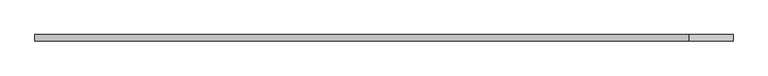
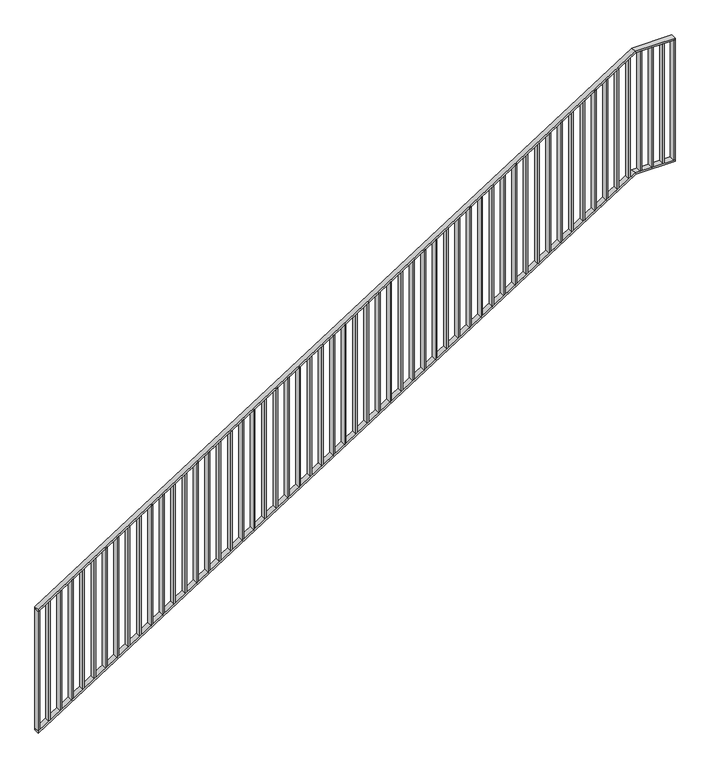
"""IFC4 building model written with IfcOpenShell, lengths in millimetres: railing geometry."""

from ifc_helpers import new_model, si_unit, frame, origin, place, context, project, spatial, polyline, outline, extrude, faceted_brep, source, transform, mapped, element, save


def railing_6810e6bf(model_context):
    return source(origin(), model_context, "Body", "SolidModel", [
        faceted_brep([(70020.0, 1014.6, 1178.125), (70020.0, 1014.6, 1166.2576574), (70020.0, 974.6, 1166.2576574), (70020.0, 974.6, 1178.125), (74201.25, 1014.6, 3850.0), (74204.1722273, 1014.6, 3840.0), (74204.1722273, 974.6, 3840.0), (74201.25, 974.6, 3850.0), (74480.0, 1014.6, 3850.0), (74480.0, 974.6, 3850.0), (74480.0, 974.6, 3840.0), (74480.0, 1014.6, 3840.0)], [[[0, 1, 2, 3]], [[1, 0, 4, 5]], [[2, 1, 5, 6]], [[3, 2, 6, 7]], [[0, 3, 7, 4]], [[8, 9, 10, 11]], [[5, 4, 8, 11]], [[6, 5, 11, 10]], [[7, 6, 10, 9]], [[4, 7, 9, 8]]]),
        faceted_brep([(70020.0, 1014.6, 278.125), (70020.0, 1014.6, 266.2576574), (70020.0, 974.6, 266.2576574), (70020.0, 974.6, 278.125), (74201.25, 1014.6, 2950.0), (74204.1722273, 1014.6, 2940.0), (74204.1722273, 974.6, 2940.0), (74201.25, 974.6, 2950.0), (74480.0, 1014.6, 2950.0), (74480.0, 974.6, 2950.0), (74480.0, 974.6, 2940.0), (74480.0, 1014.6, 2940.0)], [[[0, 1, 2, 3]], [[1, 0, 4, 5]], [[2, 1, 5, 6]], [[3, 2, 6, 7]], [[0, 3, 7, 4]], [[8, 9, 10, 11]], [[5, 4, 8, 11]], [[6, 5, 11, 10]], [[7, 6, 10, 9]], [[4, 7, 9, 8]]]),
        extrude(outline(polyline([(74395.3571429, 1014.6), (74405.3571429, 1014.6), (74405.3571429, 974.6), (74395.3571429, 974.6), (74395.3571429, 1014.6)])), frame((0.0, 0.0, 2950.0), z_axis=(0.0, 0.0, 1.0), x_axis=(1.0, 0.0, 0.0)), (0.0, 0.0, 1.0), 890.0),
        extrude(outline(polyline([(74315.7142857, 1014.6), (74325.7142857, 1014.6), (74325.7142857, 974.6), (74315.7142857, 974.6), (74315.7142857, 1014.6)])), frame((0.0, 0.0, 2950.0), z_axis=(0.0, 0.0, 1.0), x_axis=(1.0, 0.0, 0.0)), (0.0, 0.0, 1.0), 890.0),
        extrude(outline(polyline([(74236.0714286, 1014.6), (74246.0714286, 1014.6), (74246.0714286, 974.6), (74236.0714286, 974.6), (74236.0714286, 1014.6)])), frame((0.0, 0.0, 2950.0), z_axis=(0.0, 0.0, 1.0), x_axis=(1.0, 0.0, 0.0)), (0.0, 0.0, 1.0), 890.0),
        extrude(outline(polyline([(2921.3585042, 74156.4285714), (2927.7486387, 74166.4285714), (3817.7486387, 74166.4285714), (3811.3585042, 74156.4285714), (2921.3585042, 74156.4285714)])), frame((0.0, 974.6, 0.0), z_axis=(0.0, 1.0, 0.0), x_axis=(0.0, 0.0, 1.0)), (0.0, 0.0, 1.0), 40.0),
        extrude(outline(polyline([(2870.465647, 74076.7857143), (2876.8557816, 74086.7857143), (3766.8557816, 74086.7857143), (3760.465647, 74076.7857143), (2870.465647, 74076.7857143)])), frame((0.0, 974.6, 0.0), z_axis=(0.0, 1.0, 0.0), x_axis=(0.0, 0.0, 1.0)), (0.0, 0.0, 1.0), 40.0),
        extrude(outline(polyline([(2819.5727899, 73997.1428571), (2825.9629244, 74007.1428571), (3715.9629244, 74007.1428571), (3709.5727899, 73997.1428571), (2819.5727899, 73997.1428571)])), frame((0.0, 974.6, 0.0), z_axis=(0.0, 1.0, 0.0), x_axis=(0.0, 0.0, 1.0)), (0.0, 0.0, 1.0), 40.0),
        extrude(outline(polyline([(2768.6799327, 73917.5), (2775.0700673, 73927.5), (3665.0700673, 73927.5), (3658.6799327, 73917.5), (2768.6799327, 73917.5)])), frame((0.0, 974.6, 0.0), z_axis=(0.0, 1.0, 0.0), x_axis=(0.0, 0.0, 1.0)), (0.0, 0.0, 1.0), 40.0),
        extrude(outline(polyline([(2717.7870756, 73837.8571429), (2724.1772101, 73847.8571429), (3614.1772101, 73847.8571429), (3607.7870756, 73837.8571429), (2717.7870756, 73837.8571429)])), frame((0.0, 974.6, 0.0), z_axis=(0.0, 1.0, 0.0), x_axis=(0.0, 0.0, 1.0)), (0.0, 0.0, 1.0), 40.0),
        extrude(outline(polyline([(2666.8942184, 73758.2142857), (2673.284353, 73768.2142857), (3563.284353, 73768.2142857), (3556.8942184, 73758.2142857), (2666.8942184, 73758.2142857)])), frame((0.0, 974.6, 0.0), z_axis=(0.0, 1.0, 0.0), x_axis=(0.0, 0.0, 1.0)), (0.0, 0.0, 1.0), 40.0),
        extrude(outline(polyline([(2616.0013613, 73678.5714286), (2622.3914958, 73688.5714286), (3512.3914958, 73688.5714286), (3506.0013613, 73678.5714286), (2616.0013613, 73678.5714286)])), frame((0.0, 974.6, 0.0), z_axis=(0.0, 1.0, 0.0), x_axis=(0.0, 0.0, 1.0)), (0.0, 0.0, 1.0), 40.0),
        extrude(outline(polyline([(2565.1085042, 73598.9285714), (2571.4986387, 73608.9285714), (3461.4986387, 73608.9285714), (3455.1085042, 73598.9285714), (2565.1085042, 73598.9285714)])), frame((0.0, 974.6, 0.0), z_axis=(0.0, 1.0, 0.0), x_axis=(0.0, 0.0, 1.0)), (0.0, 0.0, 1.0), 40.0),
        extrude(outline(polyline([(2514.215647, 73519.2857143), (2520.6057816, 73529.2857143), (3410.6057816, 73529.2857143), (3404.215647, 73519.2857143), (2514.215647, 73519.2857143)])), frame((0.0, 974.6, 0.0), z_axis=(0.0, 1.0, 0.0), x_axis=(0.0, 0.0, 1.0)), (0.0, 0.0, 1.0), 40.0),
        extrude(outline(polyline([(2463.3227899, 73439.6428571), (2469.7129244, 73449.6428571), (3359.7129244, 73449.6428571), (3353.3227899, 73439.6428571), (2463.3227899, 73439.6428571)])), frame((0.0, 974.6, 0.0), z_axis=(0.0, 1.0, 0.0), x_axis=(0.0, 0.0, 1.0)), (0.0, 0.0, 1.0), 40.0),
        extrude(outline(polyline([(2412.4299327, 73360.0), (2418.8200673, 73370.0), (3308.8200673, 73370.0), (3302.4299327, 73360.0), (2412.4299327, 73360.0)])), frame((0.0, 974.6, 0.0), z_axis=(0.0, 1.0, 0.0), x_axis=(0.0, 0.0, 1.0)), (0.0, 0.0, 1.0), 40.0),
        extrude(outline(polyline([(2361.5370756, 73280.3571429), (2367.9272101, 73290.3571429), (3257.9272101, 73290.3571429), (3251.5370756, 73280.3571429), (2361.5370756, 73280.3571429)])), frame((0.0, 974.6, 0.0), z_axis=(0.0, 1.0, 0.0), x_axis=(0.0, 0.0, 1.0)), (0.0, 0.0, 1.0), 40.0),
        extrude(outline(polyline([(2310.6442184, 73200.7142857), (2317.034353, 73210.7142857), (3207.034353, 73210.7142857), (3200.6442184, 73200.7142857), (2310.6442184, 73200.7142857)])), frame((0.0, 974.6, 0.0), z_axis=(0.0, 1.0, 0.0), x_axis=(0.0, 0.0, 1.0)), (0.0, 0.0, 1.0), 40.0),
        extrude(outline(polyline([(2259.7513613, 73121.0714286), (2266.1414958, 73131.0714286), (3156.1414958, 73131.0714286), (3149.7513613, 73121.0714286), (2259.7513613, 73121.0714286)])), frame((0.0, 974.6, 0.0), z_axis=(0.0, 1.0, 0.0), x_axis=(0.0, 0.0, 1.0)), (0.0, 0.0, 1.0), 40.0),
        extrude(outline(polyline([(2208.8585042, 73041.4285714), (2215.2486387, 73051.4285714), (3105.2486387, 73051.4285714), (3098.8585042, 73041.4285714), (2208.8585042, 73041.4285714)])), frame((0.0, 974.6, 0.0), z_axis=(0.0, 1.0, 0.0), x_axis=(0.0, 0.0, 1.0)), (0.0, 0.0, 1.0), 40.0),
        extrude(outline(polyline([(2157.965647, 72961.7857143), (2164.3557816, 72971.7857143), (3054.3557816, 72971.7857143), (3047.965647, 72961.7857143), (2157.965647, 72961.7857143)])), frame((0.0, 974.6, 0.0), z_axis=(0.0, 1.0, 0.0), x_axis=(0.0, 0.0, 1.0)), (0.0, 0.0, 1.0), 40.0),
        extrude(outline(polyline([(2107.0727899, 72882.1428571), (2113.4629244, 72892.1428571), (3003.4629244, 72892.1428571), (2997.0727899, 72882.1428571), (2107.0727899, 72882.1428571)])), frame((0.0, 974.6, 0.0), z_axis=(0.0, 1.0, 0.0), x_axis=(0.0, 0.0, 1.0)), (0.0, 0.0, 1.0), 40.0),
        extrude(outline(polyline([(2056.1799327, 72802.5), (2062.5700673, 72812.5), (2952.5700673, 72812.5), (2946.1799327, 72802.5), (2056.1799327, 72802.5)])), frame((0.0, 974.6, 0.0), z_axis=(0.0, 1.0, 0.0), x_axis=(0.0, 0.0, 1.0)), (0.0, 0.0, 1.0), 40.0),
        extrude(outline(polyline([(2005.2870756, 72722.8571429), (2011.6772101, 72732.8571429), (2901.6772101, 72732.8571429), (2895.2870756, 72722.8571429), (2005.2870756, 72722.8571429)])), frame((0.0, 974.6, 0.0), z_axis=(0.0, 1.0, 0.0), x_axis=(0.0, 0.0, 1.0)), (0.0, 0.0, 1.0), 40.0),
        extrude(outline(polyline([(1954.3942184, 72643.2142857), (1960.784353, 72653.2142857), (2850.784353, 72653.2142857), (2844.3942184, 72643.2142857), (1954.3942184, 72643.2142857)])), frame((0.0, 974.6, 0.0), z_axis=(0.0, 1.0, 0.0), x_axis=(0.0, 0.0, 1.0)), (0.0, 0.0, 1.0), 40.0),
        extrude(outline(polyline([(1903.5013613, 72563.5714286), (1909.8914958, 72573.5714286), (2799.8914958, 72573.5714286), (2793.5013613, 72563.5714286), (1903.5013613, 72563.5714286)])), frame((0.0, 974.6, 0.0), z_axis=(0.0, 1.0, 0.0), x_axis=(0.0, 0.0, 1.0)), (0.0, 0.0, 1.0), 40.0),
        extrude(outline(polyline([(1852.6085042, 72483.9285714), (1858.9986387, 72493.9285714), (2748.9986387, 72493.9285714), (2742.6085042, 72483.9285714), (1852.6085042, 72483.9285714)])), frame((0.0, 974.6, 0.0), z_axis=(0.0, 1.0, 0.0), x_axis=(0.0, 0.0, 1.0)), (0.0, 0.0, 1.0), 40.0),
        extrude(outline(polyline([(1801.715647, 72404.2857143), (1808.1057816, 72414.2857143), (2698.1057816, 72414.2857143), (2691.715647, 72404.2857143), (1801.715647, 72404.2857143)])), frame((0.0, 974.6, 0.0), z_axis=(0.0, 1.0, 0.0), x_axis=(0.0, 0.0, 1.0)), (0.0, 0.0, 1.0), 40.0),
        extrude(outline(polyline([(1750.8227899, 72324.6428571), (1757.2129244, 72334.6428571), (2647.2129244, 72334.6428571), (2640.8227899, 72324.6428571), (1750.8227899, 72324.6428571)])), frame((0.0, 974.6, 0.0), z_axis=(0.0, 1.0, 0.0), x_axis=(0.0, 0.0, 1.0)), (0.0, 0.0, 1.0), 40.0),
        extrude(outline(polyline([(1699.9299327, 72245.0), (1706.3200673, 72255.0), (2596.3200673, 72255.0), (2589.9299327, 72245.0), (1699.9299327, 72245.0)])), frame((0.0, 974.6, 0.0), z_axis=(0.0, 1.0, 0.0), x_axis=(0.0, 0.0, 1.0)), (0.0, 0.0, 1.0), 40.0),
        extrude(outline(polyline([(1649.0370756, 72165.3571429), (1655.4272101, 72175.3571429), (2545.4272101, 72175.3571429), (2539.0370756, 72165.3571429), (1649.0370756, 72165.3571429)])), frame((0.0, 974.6, 0.0), z_axis=(0.0, 1.0, 0.0), x_axis=(0.0, 0.0, 1.0)), (0.0, 0.0, 1.0), 40.0),
        extrude(outline(polyline([(1598.1442184, 72085.7142857), (1604.534353, 72095.7142857), (2494.534353, 72095.7142857), (2488.1442184, 72085.7142857), (1598.1442184, 72085.7142857)])), frame((0.0, 974.6, 0.0), z_axis=(0.0, 1.0, 0.0), x_axis=(0.0, 0.0, 1.0)), (0.0, 0.0, 1.0), 40.0),
        extrude(outline(polyline([(1547.2513613, 72006.0714286), (1553.6414958, 72016.0714286), (2443.6414958, 72016.0714286), (2437.2513613, 72006.0714286), (1547.2513613, 72006.0714286)])), frame((0.0, 974.6, 0.0), z_axis=(0.0, 1.0, 0.0), x_axis=(0.0, 0.0, 1.0)), (0.0, 0.0, 1.0), 40.0),
        extrude(outline(polyline([(1496.3585042, 71926.4285714), (1502.7486387, 71936.4285714), (2392.7486387, 71936.4285714), (2386.3585042, 71926.4285714), (1496.3585042, 71926.4285714)])), frame((0.0, 974.6, 0.0), z_axis=(0.0, 1.0, 0.0), x_axis=(0.0, 0.0, 1.0)), (0.0, 0.0, 1.0), 40.0),
        extrude(outline(polyline([(1445.465647, 71846.7857143), (1451.8557816, 71856.7857143), (2341.8557816, 71856.7857143), (2335.465647, 71846.7857143), (1445.465647, 71846.7857143)])), frame((0.0, 974.6, 0.0), z_axis=(0.0, 1.0, 0.0), x_axis=(0.0, 0.0, 1.0)), (0.0, 0.0, 1.0), 40.0),
        extrude(outline(polyline([(1394.5727899, 71767.1428571), (1400.9629244, 71777.1428571), (2290.9629244, 71777.1428571), (2284.5727899, 71767.1428571), (1394.5727899, 71767.1428571)])), frame((0.0, 974.6, 0.0), z_axis=(0.0, 1.0, 0.0), x_axis=(0.0, 0.0, 1.0)), (0.0, 0.0, 1.0), 40.0),
        extrude(outline(polyline([(1343.6799327, 71687.5), (1350.0700673, 71697.5), (2240.0700673, 71697.5), (2233.6799327, 71687.5), (1343.6799327, 71687.5)])), frame((0.0, 974.6, 0.0), z_axis=(0.0, 1.0, 0.0), x_axis=(0.0, 0.0, 1.0)), (0.0, 0.0, 1.0), 40.0),
        extrude(outline(polyline([(1292.7870756, 71607.8571429), (1299.1772101, 71617.8571429), (2189.1772101, 71617.8571429), (2182.7870756, 71607.8571429), (1292.7870756, 71607.8571429)])), frame((0.0, 974.6, 0.0), z_axis=(0.0, 1.0, 0.0), x_axis=(0.0, 0.0, 1.0)), (0.0, 0.0, 1.0), 40.0),
        extrude(outline(polyline([(1241.8942184, 71528.2142857), (1248.284353, 71538.2142857), (2138.284353, 71538.2142857), (2131.8942184, 71528.2142857), (1241.8942184, 71528.2142857)])), frame((0.0, 974.6, 0.0), z_axis=(0.0, 1.0, 0.0), x_axis=(0.0, 0.0, 1.0)), (0.0, 0.0, 1.0), 40.0),
        extrude(outline(polyline([(1191.0013613, 71448.5714286), (1197.3914958, 71458.5714286), (2087.3914958, 71458.5714286), (2081.0013613, 71448.5714286), (1191.0013613, 71448.5714286)])), frame((0.0, 974.6, 0.0), z_axis=(0.0, 1.0, 0.0), x_axis=(0.0, 0.0, 1.0)), (0.0, 0.0, 1.0), 40.0),
        extrude(outline(polyline([(1140.1085042, 71368.9285714), (1146.4986387, 71378.9285714), (2036.4986387, 71378.9285714), (2030.1085042, 71368.9285714), (1140.1085042, 71368.9285714)])), frame((0.0, 974.6, 0.0), z_axis=(0.0, 1.0, 0.0), x_axis=(0.0, 0.0, 1.0)), (0.0, 0.0, 1.0), 40.0),
        extrude(outline(polyline([(1089.215647, 71289.2857143), (1095.6057816, 71299.2857143), (1985.6057816, 71299.2857143), (1979.215647, 71289.2857143), (1089.215647, 71289.2857143)])), frame((0.0, 974.6, 0.0), z_axis=(0.0, 1.0, 0.0), x_axis=(0.0, 0.0, 1.0)), (0.0, 0.0, 1.0), 40.0),
        extrude(outline(polyline([(1038.3227899, 71209.6428571), (1044.7129244, 71219.6428571), (1934.7129244, 71219.6428571), (1928.3227899, 71209.6428571), (1038.3227899, 71209.6428571)])), frame((0.0, 974.6, 0.0), z_axis=(0.0, 1.0, 0.0), x_axis=(0.0, 0.0, 1.0)), (0.0, 0.0, 1.0), 40.0),
        extrude(outline(polyline([(987.4299327, 71130.0), (993.8200673, 71140.0), (1883.8200673, 71140.0), (1877.4299327, 71130.0), (987.4299327, 71130.0)])), frame((0.0, 974.6, 0.0), z_axis=(0.0, 1.0, 0.0), x_axis=(0.0, 0.0, 1.0)), (0.0, 0.0, 1.0), 40.0),
        extrude(outline(polyline([(936.5370756, 71050.3571429), (942.9272101, 71060.3571429), (1832.9272101, 71060.3571429), (1826.5370756, 71050.3571429), (936.5370756, 71050.3571429)])), frame((0.0, 974.6, 0.0), z_axis=(0.0, 1.0, 0.0), x_axis=(0.0, 0.0, 1.0)), (0.0, 0.0, 1.0), 40.0),
        extrude(outline(polyline([(885.6442184, 70970.7142857), (892.034353, 70980.7142857), (1782.034353, 70980.7142857), (1775.6442184, 70970.7142857), (885.6442184, 70970.7142857)])), frame((0.0, 974.6, 0.0), z_axis=(0.0, 1.0, 0.0), x_axis=(0.0, 0.0, 1.0)), (0.0, 0.0, 1.0), 40.0),
        extrude(outline(polyline([(834.7513613, 70891.0714286), (841.1414958, 70901.0714286), (1731.1414958, 70901.0714286), (1724.7513613, 70891.0714286), (834.7513613, 70891.0714286)])), frame((0.0, 974.6, 0.0), z_axis=(0.0, 1.0, 0.0), x_axis=(0.0, 0.0, 1.0)), (0.0, 0.0, 1.0), 40.0),
        extrude(outline(polyline([(783.8585042, 70811.4285714), (790.2486387, 70821.4285714), (1680.2486387, 70821.4285714), (1673.8585042, 70811.4285714), (783.8585042, 70811.4285714)])), frame((0.0, 974.6, 0.0), z_axis=(0.0, 1.0, 0.0), x_axis=(0.0, 0.0, 1.0)), (0.0, 0.0, 1.0), 40.0),
        extrude(outline(polyline([(732.965647, 70731.7857143), (739.3557816, 70741.7857143), (1629.3557816, 70741.7857143), (1622.965647, 70731.7857143), (732.965647, 70731.7857143)])), frame((0.0, 974.6, 0.0), z_axis=(0.0, 1.0, 0.0), x_axis=(0.0, 0.0, 1.0)), (0.0, 0.0, 1.0), 40.0),
        extrude(outline(polyline([(682.0727899, 70652.1428571), (688.4629244, 70662.1428571), (1578.4629244, 70662.1428571), (1572.0727899, 70652.1428571), (682.0727899, 70652.1428571)])), frame((0.0, 974.6, 0.0), z_axis=(0.0, 1.0, 0.0), x_axis=(0.0, 0.0, 1.0)), (0.0, 0.0, 1.0), 40.0),
        extrude(outline(polyline([(631.1799327, 70572.5), (637.5700673, 70582.5), (1527.5700673, 70582.5), (1521.1799327, 70572.5), (631.1799327, 70572.5)])), frame((0.0, 974.6, 0.0), z_axis=(0.0, 1.0, 0.0), x_axis=(0.0, 0.0, 1.0)), (0.0, 0.0, 1.0), 40.0),
        extrude(outline(polyline([(580.2870756, 70492.8571429), (586.6772101, 70502.8571429), (1476.6772101, 70502.8571429), (1470.2870756, 70492.8571429), (580.2870756, 70492.8571429)])), frame((0.0, 974.6, 0.0), z_axis=(0.0, 1.0, 0.0), x_axis=(0.0, 0.0, 1.0)), (0.0, 0.0, 1.0), 40.0),
        extrude(outline(polyline([(529.3942184, 70413.2142857), (535.784353, 70423.2142857), (1425.784353, 70423.2142857), (1419.3942184, 70413.2142857), (529.3942184, 70413.2142857)])), frame((0.0, 974.6, 0.0), z_axis=(0.0, 1.0, 0.0), x_axis=(0.0, 0.0, 1.0)), (0.0, 0.0, 1.0), 40.0),
        extrude(outline(polyline([(478.5013613, 70333.5714286), (484.8914958, 70343.5714286), (1374.8914958, 70343.5714286), (1368.5013613, 70333.5714286), (478.5013613, 70333.5714286)])), frame((0.0, 974.6, 0.0), z_axis=(0.0, 1.0, 0.0), x_axis=(0.0, 0.0, 1.0)), (0.0, 0.0, 1.0), 40.0),
        extrude(outline(polyline([(427.6085042, 70253.9285714), (433.9986387, 70263.9285714), (1323.9986387, 70263.9285714), (1317.6085042, 70253.9285714), (427.6085042, 70253.9285714)])), frame((0.0, 974.6, 0.0), z_axis=(0.0, 1.0, 0.0), x_axis=(0.0, 0.0, 1.0)), (0.0, 0.0, 1.0), 40.0),
        extrude(outline(polyline([(376.715647, 70174.2857143), (383.1057816, 70184.2857143), (1273.1057816, 70184.2857143), (1266.715647, 70174.2857143), (376.715647, 70174.2857143)])), frame((0.0, 974.6, 0.0), z_axis=(0.0, 1.0, 0.0), x_axis=(0.0, 0.0, 1.0)), (0.0, 0.0, 1.0), 40.0),
        extrude(outline(polyline([(325.8227899, 70094.6428571), (332.2129244, 70104.6428571), (1222.2129244, 70104.6428571), (1215.8227899, 70094.6428571), (325.8227899, 70094.6428571)])), frame((0.0, 974.6, 0.0), z_axis=(0.0, 1.0, 0.0), x_axis=(0.0, 0.0, 1.0)), (0.0, 0.0, 1.0), 40.0),
        extrude(outline(polyline([(74470.0, 1014.6), (74480.0, 1014.6), (74480.0, 974.6), (74470.0, 974.6), (74470.0, 1014.6)])), frame((0.0, 0.0, 2950.0), z_axis=(0.0, 0.0, 1.0), x_axis=(1.0, 0.0, 0.0)), (0.0, 0.0, 1.0), 890.0),
        extrude(outline(polyline([(278.125, 70020.0), (284.5151345, 70030.0), (1174.5151345, 70030.0), (1168.125, 70020.0), (278.125, 70020.0)])), frame((0.0, 974.6, 0.0), z_axis=(0.0, 1.0, 0.0), x_axis=(0.0, 0.0, 1.0)), (0.0, 0.0, 1.0), 40.0),
    ])


if __name__ == "__main__":
    model = new_model("IFC4")
    model_context = context("Model", 3, world=origin())
    ifc_project = project(units=[si_unit("LENGTHUNIT", "METRE", prefix="MILLI")], contexts=[model_context])
    site = spatial("IfcSite", under=ifc_project)
    building = spatial("IfcBuilding", under=site)
    placement = place(None, origin())
    railing_shape = railing_6810e6bf(model_context)
    element("IfcRailing", 1, at=placement, inside=building, context=model_context, shape_type="MappedRepresentation", body=[
        mapped(railing_shape, transform((0.0, 0.0, 0.0), x_axis=(1.0, 0.0, 0.0), y_axis=(0.0, 1.0, 0.0), z_axis=(0.0, 0.0, 1.0))),
    ])
    save(model, "model.ifc")
